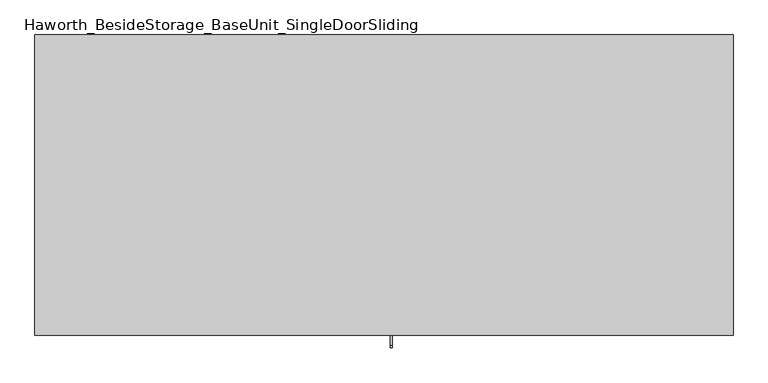
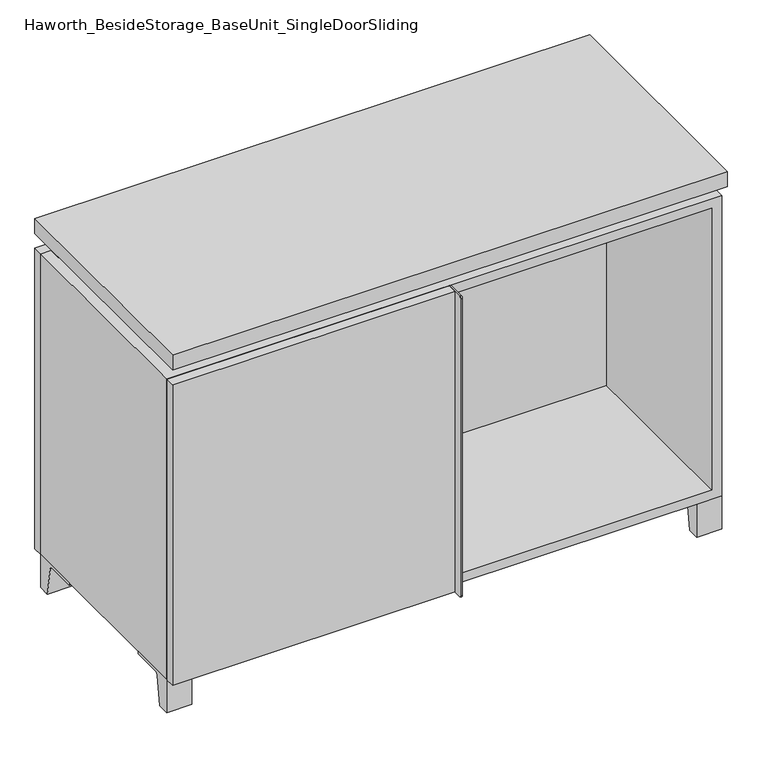
"""IFC4 building model written with IfcOpenShell, lengths in millimetres: furniture geometry, Haworth_BesideStorage_BaseUnit_SingleDoorSliding."""

from ifc_helpers import new_model, si_unit, point, frame, frame_2d, origin, place, context, project, spatial, polyline, circle_curve, trimmed, segment, composite_curve, outline, extrude, faceted_brep, source, transform, mapped, element, save


def haworth_besidestorage_baseunit_singledoorsliding_7a1eb1cc(model_context):
    return source(origin(), model_context, "Body", "SolidModel", [
        extrude(outline(composite_curve([segment(polyline([(-123.2958469, 0.0), (-146.05, 0.0), (-146.05, 66.675), (-50.8, 66.675), (-50.8, 61.8963321), (-107.6005345, 61.8963321)]), True, "CONTINUOUS"), segment(trimmed(circle_curve(frame_2d((-107.6005345, 55.5463321)), 6.35), [point((-107.6005345, 61.8963321))], [point((-113.8641359, 56.5902656))], True, "CARTESIAN"), True, "CONTINUOUS"), segment(polyline([(-113.8641359, 56.5902656), (-123.2958469, 0.0)]), True, "CONTINUOUS")], self_intersect=False)), frame((484.2013906, 0.0, 0.0), z_axis=(1.0, 0.0, 0.0), x_axis=(0.0, 1.0, 0.0)), (0.0, 0.0, 1.0), 47.625),
        extrude(outline(composite_curve([segment(polyline([(250.2958469, 0.0), (240.8641359, 56.5902656)]), True, "CONTINUOUS"), segment(trimmed(circle_curve(frame_2d((234.6005345, 55.5463321)), 6.35), [point((240.8641359, 56.5902656))], [point((234.6005345, 61.8963321))], True, "CARTESIAN"), True, "CONTINUOUS"), segment(polyline([(234.6005345, 61.8963321), (177.8, 61.8963321), (177.8, 66.675), (273.05, 66.675), (273.05, 0.0), (250.2958469, 0.0)]), True, "CONTINUOUS")], self_intersect=False)), frame((484.2013906, 0.0, 0.0), z_axis=(1.0, 0.0, 0.0), x_axis=(0.0, 1.0, 0.0)), (0.0, 0.0, 1.0), 47.625),
        extrude(outline(composite_curve([segment(polyline([(-123.2958469, 0.0), (-146.05, 0.0), (-146.05, 66.675), (-50.8, 66.675), (-50.8, 61.8963321), (-107.6005345, 61.8963321)]), True, "CONTINUOUS"), segment(trimmed(circle_curve(frame_2d((-107.6005345, 55.5463321)), 6.35), [point((-107.6005345, 61.8963321))], [point((-113.8641359, 56.5902656))], True, "CARTESIAN"), True, "CONTINUOUS"), segment(polyline([(-113.8641359, 56.5902656), (-123.2958469, 0.0)]), True, "CONTINUOUS")], self_intersect=False)), frame((-531.7986094, 0.0, 0.0), z_axis=(1.0, 0.0, 0.0), x_axis=(0.0, 1.0, 0.0)), (0.0, 0.0, 1.0), 47.625),
        extrude(outline(composite_curve([segment(polyline([(250.2958469, 0.0), (240.8641359, 56.5902656)]), True, "CONTINUOUS"), segment(trimmed(circle_curve(frame_2d((234.6005345, 55.5463321)), 6.35), [point((240.8641359, 56.5902656))], [point((234.6005345, 61.8963321))], True, "CARTESIAN"), True, "CONTINUOUS"), segment(polyline([(234.6005345, 61.8963321), (177.8, 61.8963321), (177.8, 66.675), (273.05, 66.675), (273.05, 0.0), (250.2958469, 0.0)]), True, "CONTINUOUS")], self_intersect=False)), frame((-531.7986094, 0.0, 0.0), z_axis=(1.0, 0.0, 0.0), x_axis=(0.0, 1.0, 0.0)), (0.0, 0.0, 1.0), 47.625),
        faceted_brep([(-531.7986094, -146.05, 66.675), (531.8125, -146.05, 66.675), (531.8125, -146.05, 676.275), (-531.7986094, -146.05, 676.275), (-512.7486094, -146.05, 85.725), (-512.7486094, -146.05, 657.225), (512.7694453, -146.05, 657.225), (512.7486094, -146.05, 85.725), (-531.7986094, 273.05, 66.675), (-531.7986094, 273.05, 676.275), (-512.7486094, 273.05, 676.275), (-512.7486094, 273.05, 85.725), (512.7486094, 273.05, 85.725), (512.7486094, 273.05, 676.275), (531.8125, 273.05, 676.275), (531.8125, 273.05, 66.675), (512.7486094, 247.65, 676.275), (-512.7416641, 247.65, 676.275), (-512.7486094, 247.65, 657.225), (512.7486094, 247.65, 657.225)], [[[0, 1, 2, 3], [4, 5, 6, 7]], [[8, 9, 10, 11, 12, 13, 14, 15]], [[1, 0, 8, 15]], [[2, 1, 15, 14]], [[3, 2, 14, 13, 16, 17, 10, 9]], [[0, 3, 9, 8]], [[11, 10, 17, 18, 5, 4]], [[13, 12, 7, 6, 19, 16]], [[4, 7, 12, 11]], [[6, 5, 18, 19]], [[17, 16, 19, 18]]]),
        extrude(outline(polyline([(531.8263906, -165.1), (-531.7986094, -165.1), (-531.7986094, 292.1), (531.8263906, 292.1), (531.8263906, -165.1)])), frame((0.0, 0.0, 706.4375), z_axis=(0.0, 0.0, 1.0), x_axis=(1.0, 0.0, 0.0)), (0.0, 0.0, 1.0), 30.1625),
        faceted_brep([(7.9513906, -69.85, 706.4375), (7.9513906, -69.85, 676.275), (7.9513906, 53.975, 676.275), (7.9513906, 53.975, 706.4375), (7.9513906, 196.85, 676.275), (7.9513906, 196.85, 706.4375), (7.9513906, 73.025, 706.4375), (7.9513906, 73.025, 676.275), (-7.9236094, 196.85, 706.4375), (-7.9236094, 196.85, 676.275), (-7.9236094, 73.025, 676.275), (-7.9236094, 73.025, 706.4375), (-7.9236094, -69.85, 676.275), (-7.9236094, -69.85, 706.4375), (-7.9236094, 53.975, 706.4375), (-7.9236094, 53.975, 676.275), (-490.4958281, 73.025, 706.4375), (-490.5166641, 247.65, 706.4375), (-506.3916641, 247.65, 706.4375), (-506.3916641, -120.65, 706.4375), (-490.5166641, -120.65, 706.4375), (-490.5166641, 53.975, 706.4375), (490.5236094, 53.975, 706.4375), (490.5236094, -120.65, 706.4375), (506.3986094, -120.65, 706.4375), (506.3986094, 247.65, 706.4375), (490.5236094, 247.65, 706.4375), (490.5236094, 73.025, 706.4375), (-490.4958281, 53.975, 676.275), (-490.5166641, -120.65, 676.275), (-506.3916641, -120.65, 676.275), (-506.3916641, 247.65, 676.275), (-490.5166641, 247.65, 676.275), (-490.5166641, 73.025, 676.275), (490.5236094, 73.025, 676.275), (490.5236094, 247.65, 676.275), (506.3986094, 247.65, 676.275), (506.3986094, -120.65, 676.275), (490.5236094, -120.65, 676.275), (490.5236094, 53.975, 676.275)], [[[0, 1, 2, 3]], [[4, 5, 6, 7]], [[8, 9, 10, 11]], [[12, 13, 14, 15]], [[5, 8, 11, 16, 17, 18, 19, 20, 21, 14, 13, 0, 3, 22, 23, 24, 25, 26, 27, 6]], [[1, 12, 15, 28, 29, 30, 31, 32, 33, 10, 9, 4, 7, 34, 35, 36, 37, 38, 39, 2]], [[5, 4, 9, 8]], [[1, 0, 13, 12]], [[6, 27, 34, 7]], [[22, 3, 2, 39]], [[20, 29, 28, 21]], [[32, 17, 16, 33]], [[18, 31, 30, 19]], [[29, 20, 19, 30]], [[17, 32, 31, 18]], [[26, 35, 34, 27]], [[38, 23, 22, 39]], [[25, 24, 37, 36]], [[23, 38, 37, 24]], [[35, 26, 25, 36]], [[16, 11, 10, 33]], [[14, 21, 28, 15]]]),
        extrude(outline(polyline([(9.5388906, 203.2), (9.5388906, -146.05), (-9.5111094, -146.05), (-9.5111094, 203.2), (9.5388906, 203.2)])), frame((0.0, 0.0, 85.725), z_axis=(0.0, 0.0, 1.0), x_axis=(1.0, 0.0, 0.0)), (0.0, 0.0, 1.0), 571.5),
        extrude(outline(polyline([(531.8263906, 273.05), (-531.7986094, 273.05), (-531.7986094, 292.1), (531.8263906, 292.1), (531.8263906, 273.05)])), frame((0.0, 0.0, 66.675), z_axis=(0.0, 0.0, 1.0), x_axis=(1.0, 0.0, 0.0)), (0.0, 0.0, 1.0), 609.6),
        extrude(outline(polyline([(-512.7416641, 203.2), (-512.7416641, 209.55), (512.7694453, 209.55), (512.7694453, 203.2), (-512.7416641, 203.2)])), frame((0.0, 0.0, 85.725), z_axis=(0.0, 0.0, 1.0), x_axis=(1.0, 0.0, 0.0)), (0.0, 0.0, 1.0), 571.5),
        extrude(outline(composite_curve([segment(polyline([(-146.05, 676.275), (-146.05, 66.675), (-180.975, 66.675)]), True, "CONTINUOUS"), segment(trimmed(circle_curve(frame_2d((-180.975, 69.85)), 3.175), [point((-180.975, 66.675))], [point((-184.15, 69.85))], False, "CARTESIAN"), True, "CONTINUOUS"), segment(polyline([(-184.15, 69.85), (-184.15, 673.1)]), True, "CONTINUOUS"), segment(trimmed(circle_curve(frame_2d((-180.975, 673.1)), 3.175), [point((-184.15, 673.1))], [point((-180.975, 676.275))], False, "CARTESIAN"), True, "CONTINUOUS"), segment(polyline([(-180.975, 676.275), (-146.05, 676.275)]), True, "CONTINUOUS")], self_intersect=False)), frame((9.5388906, 0.0, 0.0), z_axis=(1.0, 0.0, 0.0), x_axis=(0.0, 1.0, 0.0)), (0.0, 0.0, 1.0), 3.175),
        extrude(outline(polyline([(-531.7986094, -146.05), (9.5388906, -146.05), (9.5388906, -165.1), (-531.7986094, -165.1), (-531.7986094, -146.05)])), frame((0.0, 0.0, 66.675), z_axis=(0.0, 0.0, 1.0), x_axis=(1.0, 0.0, 0.0)), (0.0, 0.0, 1.0), 609.6),
    ])


if __name__ == "__main__":
    model = new_model("IFC4")
    model_context = context("Model", 3, world=origin())
    ifc_project = project(units=[si_unit("LENGTHUNIT", "METRE", prefix="MILLI")], contexts=[model_context])
    site = spatial("IfcSite", under=ifc_project)
    building = spatial("IfcBuilding", under=site)
    placement = place(None, origin())
    haworth_besidestorage_baseunit_singledoorsliding_shape = haworth_besidestorage_baseunit_singledoorsliding_7a1eb1cc(model_context)
    element("IfcFurniture", 1, ObjectType="Haworth_BesideStorage_BaseUnit_SingleDoorSliding", at=placement, inside=building, context=model_context, shape_type="MappedRepresentation", body=[
        mapped(haworth_besidestorage_baseunit_singledoorsliding_shape, transform((0.0, 0.0, 0.0), x_axis=(1.0, 0.0, 0.0), y_axis=(0.0, 1.0, 0.0), z_axis=(0.0, 0.0, 1.0))),
    ])
    save(model, "model.ifc")
